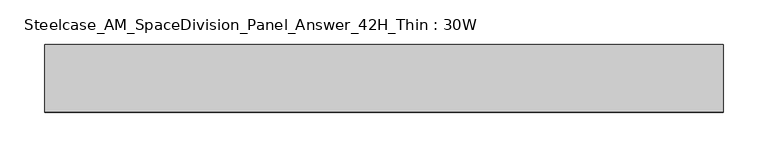
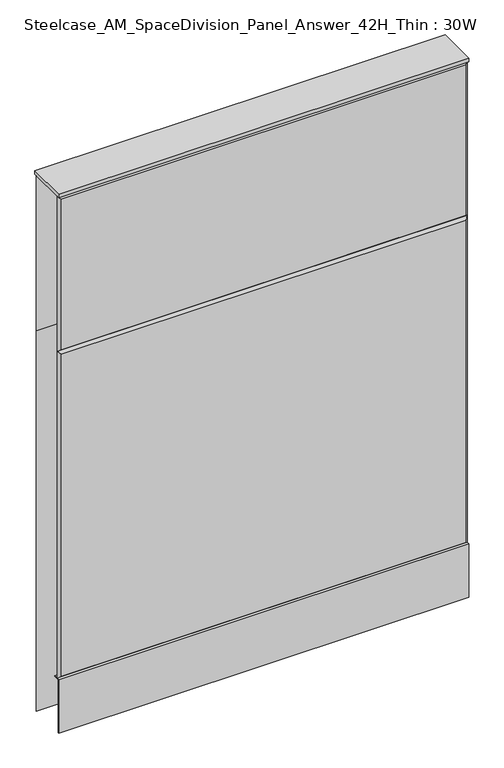
"""IFC4 building model written with IfcOpenShell, lengths in millimetres: furniture geometry, Steelcase_AM_SpaceDivision_Panel_Answer_42H_Thin : 30W."""

from ifc_helpers import new_model, si_unit, frame, origin, place, context, project, spatial, polyline, outline, extrude, faceted_brep, source, transform, mapped, element, save


def steelcase_am_spacedivision_panel_answer_42h_thin_30w_6780fcf4(model_context):
    return source(origin(), model_context, "Body", "SolidModel", [
        extrude(outline(polyline([(-37.3075215, 119.8575157), (-37.3075215, 15.494), (-38.1000194, 15.494), (-38.1000194, 120.65), (-25.4000011, 120.65), (-25.4000011, 119.8575157), (-37.3075215, 119.8575157)])), frame((-381.0, 0.0, 0.0), z_axis=(1.0, 0.0, 0.0), x_axis=(0.0, 1.0, 0.0)), (0.0, 0.0, 1.0), 762.0),
        faceted_brep([(-376.174, 38.0960541, 1061.974), (376.174, 38.0960541, 1061.974), (376.174, 38.0960541, 766.826), (-376.174, 38.0960541, 766.826), (-381.0, 33.2700541, 1066.8), (-381.0, 33.2700541, 762.0), (381.0, 33.2700541, 762.0), (381.0, 33.2700541, 1066.8)], [[[0, 1, 2, 3]], [[4, 5, 6, 7]], [[4, 7, 1, 0]], [[7, 6, 2, 1]], [[6, 5, 3, 2]], [[5, 4, 0, 3]]]),
        faceted_brep([(-376.174, 38.0960541, 757.174), (376.174, 38.0960541, 757.174), (376.174, 38.0960541, 20.32), (-376.174, 38.0960541, 20.32), (-381.0, 33.2700541, 762.0), (-381.0, 33.2700541, 15.494), (381.0, 33.2700541, 15.494), (381.0, 33.2700541, 762.0)], [[[0, 1, 2, 3]], [[4, 5, 6, 7]], [[4, 7, 1, 0]], [[7, 6, 2, 1]], [[6, 5, 3, 2]], [[5, 4, 0, 3]]]),
        faceted_brep([(376.174, -38.0960541, 1061.974), (-376.174, -38.0960541, 1061.974), (-376.174, -38.0960541, 766.826), (376.174, -38.0960541, 766.826), (381.0, -33.2700541, 1066.8), (381.0, -33.2700541, 762.0), (-381.0, -33.2700541, 762.0), (-381.0, -33.2700541, 1066.8)], [[[0, 1, 2, 3]], [[4, 5, 6, 7]], [[4, 7, 1, 0]], [[7, 6, 2, 1]], [[6, 5, 3, 2]], [[5, 4, 0, 3]]]),
        faceted_brep([(376.174, -38.0960541, 757.174), (-376.174, -38.0960541, 757.174), (-376.174, -38.0960541, 125.476), (376.174, -38.0960541, 125.476), (381.0, -33.2700541, 762.0), (381.0, -33.2700541, 120.65), (-381.0, -33.2700541, 120.65), (-381.0, -33.2700541, 762.0)], [[[0, 1, 2, 3]], [[4, 5, 6, 7]], [[4, 7, 1, 0]], [[7, 6, 2, 1]], [[6, 5, 3, 2]], [[5, 4, 0, 3]]]),
        extrude(outline(polyline([(381.0, 38.1000194), (381.0, -38.1000194), (-381.0, -38.1000194), (-381.0, 38.1000194), (381.0, 38.1000194)])), frame((0.0, 0.0, 1066.8), z_axis=(0.0, 0.0, 1.0), x_axis=(1.0, 0.0, 0.0)), (0.0, 0.0, 1.0), 6.35),
    ])


if __name__ == "__main__":
    model = new_model("IFC4")
    model_context = context("Model", 3, world=origin())
    ifc_project = project(units=[si_unit("LENGTHUNIT", "METRE", prefix="MILLI")], contexts=[model_context])
    site = spatial("IfcSite", under=ifc_project)
    building = spatial("IfcBuilding", under=site)
    placement = place(None, origin())
    steelcase_am_spacedivision_panel_answer_42h_thin_30w_shape = steelcase_am_spacedivision_panel_answer_42h_thin_30w_6780fcf4(model_context)
    element("IfcFurniture", 1, ObjectType="Steelcase_AM_SpaceDivision_Panel_Answer_42H_Thin : 30W", at=placement, inside=building, context=model_context, shape_type="MappedRepresentation", body=[
        mapped(steelcase_am_spacedivision_panel_answer_42h_thin_30w_shape, transform((0.0, 0.0, 0.0), x_axis=(1.0, 0.0, 0.0), y_axis=(0.0, 1.0, 0.0), z_axis=(0.0, 0.0, 1.0))),
    ])
    save(model, "model.ifc")
